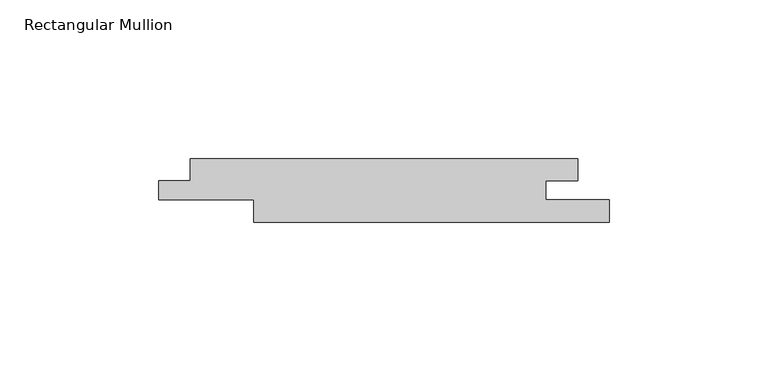
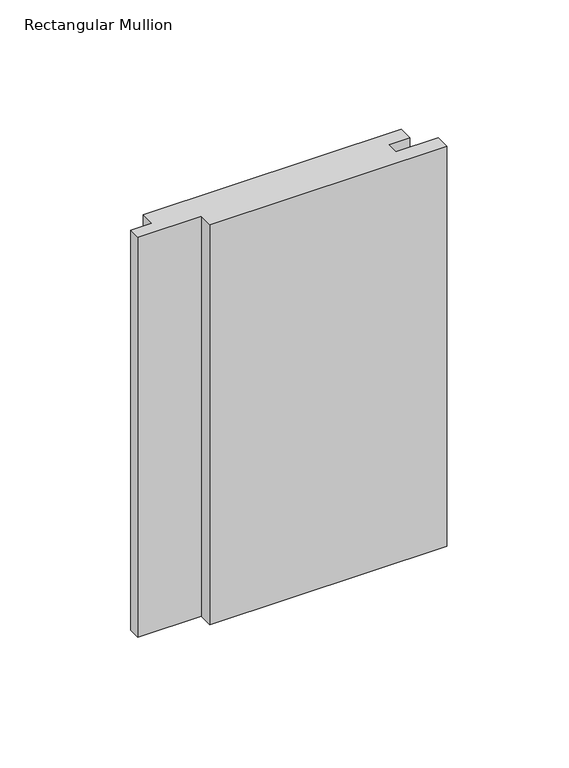
"""IFC4 building model written with IfcOpenShell, lengths in millimetres: member geometry, Rectangular Mullion."""

from ifc_helpers import new_model, si_unit, frame, origin, place, context, project, spatial, polyline, outline, extrude, source, transform, mapped, element, save


def rectangular_mullion_16f59f44(model_context):
    return source(origin(), model_context, "Body", "SweptSolid", [
        extrude(outline(polyline([(-142.0, -7.0), (-132.0288065, -7.0), (-132.0288065, 0.0), (-10.0, 0.0), (-10.0, -7.0), (-20.0, -7.0), (-20.0, -13.0), (0.0, -13.0), (0.0, -20.0), (-112.0288065, -20.0), (-112.0288065, -13.0), (-142.0, -13.0), (-142.0, -7.0)])), frame((0.0, 0.0, -200.0), z_axis=(0.0, 0.0, 1.0), x_axis=(1.0, 0.0, 0.0)), (0.0, 0.0, 1.0), 200.0),
    ])


if __name__ == "__main__":
    model = new_model("IFC4")
    model_context = context("Model", 3, world=origin())
    ifc_project = project(units=[si_unit("LENGTHUNIT", "METRE", prefix="MILLI")], contexts=[model_context])
    site = spatial("IfcSite", under=ifc_project)
    building = spatial("IfcBuilding", under=site)
    placement = place(None, origin())
    rectangular_mullion_shape = rectangular_mullion_16f59f44(model_context)
    element("IfcMember", 1, ObjectType="Rectangular Mullion", at=placement, inside=building, context=model_context, shape_type="MappedRepresentation", body=[
        mapped(rectangular_mullion_shape, transform((0.0, 0.0, 0.0), x_axis=(1.0, 0.0, 0.0), y_axis=(0.0, 1.0, 0.0), z_axis=(0.0, 0.0, 1.0))),
    ])
    save(model, "model.ifc")
